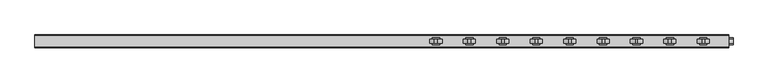
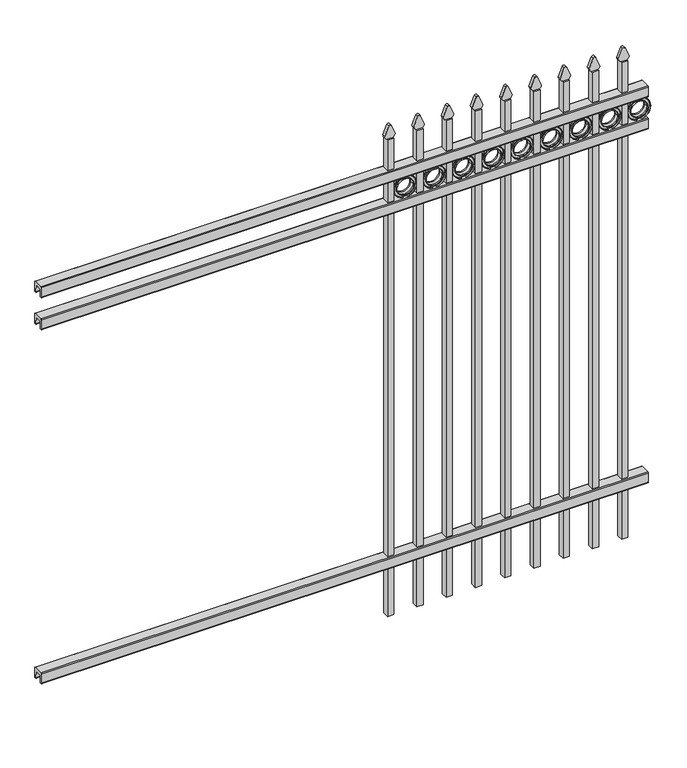
"""IFC4 building model written with IfcOpenShell, lengths in millimetres: railing geometry."""

from ifc_helpers import new_model, si_unit, point, frame, frame_2d, origin, place, context, project, spatial, polyline, circle_curve, trimmed, segment, composite_curve, outline, extrude, source, transform, mapped, element, save


def railing_b50a92b0(model_context):
    return source(origin(), model_context, "Body", "SweptSolid", [
        extrude(outline(composite_curve([segment(polyline([(8825.9139761, 304.8), (8863.969541, 304.8)]), True, "CONTINUOUS"), segment(trimmed(circle_curve(frame_2d((8863.969541, 301.625)), 3.175), [point((8863.969541, 304.8))], [point((8867.144541, 301.625))], False, "CARTESIAN"), True, "CONTINUOUS"), segment(polyline([(8867.144541, 301.625), (8867.144541, 262.1439893)]), True, "CONTINUOUS"), segment(trimmed(circle_curve(frame_2d((8865.3505518, 262.1439893)), 1.7939893), [point((8867.144541, 262.1439893))], [point((8865.3505518, 260.35))], False, "CARTESIAN"), True, "CONTINUOUS"), segment(polyline([(8865.3505518, 260.35), (8862.7590713, 260.35)]), True, "CONTINUOUS"), segment(trimmed(circle_curve(frame_2d((8862.7590713, 262.1359375)), 1.7859375), [point((8862.7590713, 260.35))], [point((8860.9755813, 262.0424688))], False, "CARTESIAN"), True, "CONTINUOUS"), segment(polyline([(8860.9755813, 262.0424688), (8859.4025867, 292.0569942), (8830.4364954, 292.0569942), (8828.8635007, 262.0424688)]), True, "CONTINUOUS"), segment(trimmed(circle_curve(frame_2d((8827.0800108, 262.1359375)), 1.7859375), [point((8828.8635007, 262.0424688))], [point((8827.0800108, 260.35))], False, "CARTESIAN"), True, "CONTINUOUS"), segment(polyline([(8827.0800108, 260.35), (8824.4804785, 260.35)]), True, "CONTINUOUS"), segment(trimmed(circle_curve(frame_2d((8824.4804785, 262.1359375)), 1.7859375), [point((8824.4804785, 260.35))], [point((8822.694541, 262.1359375))], False, "CARTESIAN"), True, "CONTINUOUS"), segment(polyline([(8822.694541, 262.1359375), (8822.694541, 301.5805649)]), True, "CONTINUOUS"), segment(trimmed(circle_curve(frame_2d((8825.9139761, 301.5805649)), 3.2194351), [point((8822.694541, 301.5805649))], [point((8825.9139761, 304.8))], False, "CARTESIAN"), True, "CONTINUOUS")], self_intersect=False)), frame((-23871.4649936, 0.0, 0.0), z_axis=(1.0, 0.0, 0.0), x_axis=(0.0, 1.0, 0.0)), (0.0, 0.0, 1.0), 2438.4),
        extrude(outline(composite_curve([segment(polyline([(8825.9139761, 1808.1625), (8863.969541, 1808.1625)]), True, "CONTINUOUS"), segment(trimmed(circle_curve(frame_2d((8863.969541, 1804.9875)), 3.175), [point((8863.969541, 1808.1625))], [point((8867.144541, 1804.9875))], False, "CARTESIAN"), True, "CONTINUOUS"), segment(polyline([(8867.144541, 1804.9875), (8867.144541, 1765.5064893)]), True, "CONTINUOUS"), segment(trimmed(circle_curve(frame_2d((8865.3505518, 1765.5064893)), 1.7939893), [point((8867.144541, 1765.5064893))], [point((8865.3505518, 1763.7125))], False, "CARTESIAN"), True, "CONTINUOUS"), segment(polyline([(8865.3505518, 1763.7125), (8862.7590713, 1763.7125)]), True, "CONTINUOUS"), segment(trimmed(circle_curve(frame_2d((8862.7590713, 1765.4984375)), 1.7859375), [point((8862.7590713, 1763.7125))], [point((8860.9755813, 1765.4049688))], False, "CARTESIAN"), True, "CONTINUOUS"), segment(polyline([(8860.9755813, 1765.4049688), (8859.4025867, 1795.4194942), (8830.4364954, 1795.4194942), (8828.8635007, 1765.4049688)]), True, "CONTINUOUS"), segment(trimmed(circle_curve(frame_2d((8827.0800108, 1765.4984375)), 1.7859375), [point((8828.8635007, 1765.4049688))], [point((8827.0800108, 1763.7125))], False, "CARTESIAN"), True, "CONTINUOUS"), segment(polyline([(8827.0800108, 1763.7125), (8824.4804785, 1763.7125)]), True, "CONTINUOUS"), segment(trimmed(circle_curve(frame_2d((8824.4804785, 1765.4984375)), 1.7859375), [point((8824.4804785, 1763.7125))], [point((8822.694541, 1765.4984375))], False, "CARTESIAN"), True, "CONTINUOUS"), segment(polyline([(8822.694541, 1765.4984375), (8822.694541, 1804.9430649)]), True, "CONTINUOUS"), segment(trimmed(circle_curve(frame_2d((8825.9139761, 1804.9430649)), 3.2194351), [point((8822.694541, 1804.9430649))], [point((8825.9139761, 1808.1625))], False, "CARTESIAN"), True, "CONTINUOUS")], self_intersect=False)), frame((-23871.4649936, 0.0, 0.0), z_axis=(1.0, 0.0, 0.0), x_axis=(0.0, 1.0, 0.0)), (0.0, 0.0, 1.0), 2438.4),
        extrude(outline(composite_curve([segment(polyline([(8825.9139761, 1944.6875), (8863.969541, 1944.6875)]), True, "CONTINUOUS"), segment(trimmed(circle_curve(frame_2d((8863.969541, 1941.5125)), 3.175), [point((8863.969541, 1944.6875))], [point((8867.144541, 1941.5125))], False, "CARTESIAN"), True, "CONTINUOUS"), segment(polyline([(8867.144541, 1941.5125), (8867.144541, 1902.0314893)]), True, "CONTINUOUS"), segment(trimmed(circle_curve(frame_2d((8865.3505518, 1902.0314893)), 1.7939893), [point((8867.144541, 1902.0314893))], [point((8865.3505518, 1900.2375))], False, "CARTESIAN"), True, "CONTINUOUS"), segment(polyline([(8865.3505518, 1900.2375), (8862.7590713, 1900.2375)]), True, "CONTINUOUS"), segment(trimmed(circle_curve(frame_2d((8862.7590713, 1902.0234375)), 1.7859375), [point((8862.7590713, 1900.2375))], [point((8860.9755813, 1901.9299688))], False, "CARTESIAN"), True, "CONTINUOUS"), segment(polyline([(8860.9755813, 1901.9299688), (8859.4025867, 1931.9444942), (8830.4364954, 1931.9444942), (8828.8635007, 1901.9299688)]), True, "CONTINUOUS"), segment(trimmed(circle_curve(frame_2d((8827.0800108, 1902.0234375)), 1.7859375), [point((8828.8635007, 1901.9299688))], [point((8827.0800108, 1900.2375))], False, "CARTESIAN"), True, "CONTINUOUS"), segment(polyline([(8827.0800108, 1900.2375), (8824.4804785, 1900.2375)]), True, "CONTINUOUS"), segment(trimmed(circle_curve(frame_2d((8824.4804785, 1902.0234375)), 1.7859375), [point((8824.4804785, 1900.2375))], [point((8822.694541, 1902.0234375))], False, "CARTESIAN"), True, "CONTINUOUS"), segment(polyline([(8822.694541, 1902.0234375), (8822.694541, 1941.4680649)]), True, "CONTINUOUS"), segment(trimmed(circle_curve(frame_2d((8825.9139761, 1941.4680649)), 3.2194351), [point((8822.694541, 1941.4680649))], [point((8825.9139761, 1944.6875))], False, "CARTESIAN"), True, "CONTINUOUS")], self_intersect=False)), frame((-23871.4649936, 0.0, 0.0), z_axis=(1.0, 0.0, 0.0), x_axis=(0.0, 1.0, 0.0)), (0.0, 0.0, 1.0), 2438.4),
        extrude(outline(composite_curve([segment(polyline([(2074.2798417, -21534.6649936), (2074.2798417, -21508.9743116)]), True, "CONTINUOUS"), segment(trimmed(circle_curve(frame_2d((2092.5299402, -21523.1372336)), 23.1009622), [point((2074.2798417, -21508.9743116))], [point((2087.0676176, -21500.6913545))], False, "CARTESIAN"), True, "CONTINUOUS"), segment(polyline([(2087.0676176, -21500.6913545), (2127.5555225, -21517.0105644)]), True, "CONTINUOUS"), segment(trimmed(circle_curve(frame_2d((2124.4045804, -21522.1405764)), 6.0204202), [point((2127.5555225, -21517.0105644))], [point((2127.5555225, -21527.2705884))], False, "CARTESIAN"), True, "CONTINUOUS"), segment(polyline([(2127.5555225, -21527.2705884), (2088.3339948, -21543.2187724)]), True, "CONTINUOUS"), segment(trimmed(circle_curve(frame_2d((2092.5299402, -21520.5020716)), 23.1009622), [point((2088.3339948, -21543.2187724))], [point((2074.2798417, -21534.6649936))], False, "CARTESIAN"), True, "CONTINUOUS")], self_intersect=False)), frame((0.0, 8838.569541, 0.0), z_axis=(0.0, 1.0, 0.0), x_axis=(0.0, 0.0, 1.0)), (0.0, 0.0, 1.0), 12.7),
        extrude(outline(composite_curve([segment(trimmed(circle_curve(frame_2d((1851.7853669, -21463.1692595)), 45.6988591), [point((1851.7853669, -21417.4704004))], [point((1851.7853669, -21508.8681186))], False, "CARTESIAN"), True, "CONTINUOUS"), segment(trimmed(circle_curve(frame_2d((1851.7853669, -21463.1692595)), 45.6988591), [point((1851.7853669, -21508.8681186))], [point((1851.7853669, -21417.4704004))], False, "CARTESIAN"), True, "CONTINUOUS")], self_intersect=False), holes=[composite_curve([segment(trimmed(circle_curve(frame_2d((1851.7853669, -21463.1692595)), 33.0443887), [point((1851.7853669, -21430.1248708))], [point((1851.7853669, -21496.2136482))], True, "CARTESIAN"), True, "CONTINUOUS"), segment(trimmed(circle_curve(frame_2d((1851.7853669, -21463.1692595)), 33.0443887), [point((1851.7853669, -21496.2136482))], [point((1851.7853669, -21430.1248708))], True, "CARTESIAN"), True, "CONTINUOUS")], self_intersect=False)]), frame((0.0, 8838.569541, 0.0), z_axis=(0.0, 1.0, 0.0), x_axis=(0.0, 0.0, 1.0)), (0.0, 0.0, 1.0), 12.7),
        extrude(outline(polyline([(-21534.6649936, 8857.619541), (-21509.2649936, 8857.619541), (-21509.2649936, 8832.219541), (-21534.6649936, 8832.219541), (-21534.6649936, 8857.619541)])), frame((0.0, 0.0, 50.8), z_axis=(0.0, 0.0, 1.0), x_axis=(1.0, 0.0, 0.0)), (0.0, 0.0, 1.0), 2023.2579232),
        extrude(outline(composite_curve([segment(trimmed(circle_curve(frame_2d((1851.7853669, -21463.1692595)), 45.6988591), [point((1851.7853669, -21417.4704004))], [point((1851.7853669, -21508.8681186))], False, "CARTESIAN"), True, "CONTINUOUS"), segment(trimmed(circle_curve(frame_2d((1851.7853669, -21463.1692595)), 45.6988591), [point((1851.7853669, -21508.8681186))], [point((1851.7853669, -21417.4704004))], False, "CARTESIAN"), True, "CONTINUOUS")], self_intersect=False), holes=[composite_curve([segment(trimmed(circle_curve(frame_2d((1851.7853669, -21463.1692595)), 44.101539), [point((1851.7853669, -21419.0677205))], [point((1851.7853669, -21507.2707985))], True, "CARTESIAN"), True, "CONTINUOUS"), segment(trimmed(circle_curve(frame_2d((1851.7853669, -21463.1692595)), 44.101539), [point((1851.7853669, -21507.2707985))], [point((1851.7853669, -21419.0677205))], True, "CARTESIAN"), True, "CONTINUOUS")], self_intersect=False)]), frame((0.0, 8832.219541, 0.0), z_axis=(0.0, 1.0, 0.0), x_axis=(0.0, 0.0, 1.0)), (0.0, 0.0, 1.0), 25.4),
        extrude(outline(composite_curve([segment(trimmed(circle_curve(frame_2d((1851.7853669, -21463.1692595)), 34.6370762), [point((1851.7853669, -21428.5321833))], [point((1851.7853669, -21497.8063357))], False, "CARTESIAN"), True, "CONTINUOUS"), segment(trimmed(circle_curve(frame_2d((1851.7853669, -21463.1692595)), 34.6370762), [point((1851.7853669, -21497.8063357))], [point((1851.7853669, -21428.5321833))], False, "CARTESIAN"), True, "CONTINUOUS")], self_intersect=False), holes=[composite_curve([segment(trimmed(circle_curve(frame_2d((1851.7853669, -21463.1692595)), 33.0443887), [point((1851.7853669, -21430.1248708))], [point((1851.7853669, -21496.2136482))], True, "CARTESIAN"), True, "CONTINUOUS"), segment(trimmed(circle_curve(frame_2d((1851.7853669, -21463.1692595)), 33.0443887), [point((1851.7853669, -21496.2136482))], [point((1851.7853669, -21430.1248708))], True, "CARTESIAN"), True, "CONTINUOUS")], self_intersect=False)]), frame((0.0, 8832.219541, 0.0), z_axis=(0.0, 1.0, 0.0), x_axis=(0.0, 0.0, 1.0)), (0.0, 0.0, 1.0), 25.4),
        extrude(outline(composite_curve([segment(polyline([(2074.2798417, -21652.1399936), (2074.2798417, -21626.4493116)]), True, "CONTINUOUS"), segment(trimmed(circle_curve(frame_2d((2092.5299402, -21640.6122336)), 23.1009622), [point((2074.2798417, -21626.4493116))], [point((2087.0676176, -21618.1663545))], False, "CARTESIAN"), True, "CONTINUOUS"), segment(polyline([(2087.0676176, -21618.1663545), (2127.5555225, -21634.4855644)]), True, "CONTINUOUS"), segment(trimmed(circle_curve(frame_2d((2124.4045804, -21639.6155764)), 6.0204202), [point((2127.5555225, -21634.4855644))], [point((2127.5555225, -21644.7455884))], False, "CARTESIAN"), True, "CONTINUOUS"), segment(polyline([(2127.5555225, -21644.7455884), (2088.3339948, -21660.6937724)]), True, "CONTINUOUS"), segment(trimmed(circle_curve(frame_2d((2092.5299402, -21637.9770716)), 23.1009622), [point((2088.3339948, -21660.6937724))], [point((2074.2798417, -21652.1399936))], False, "CARTESIAN"), True, "CONTINUOUS")], self_intersect=False)), frame((0.0, 8838.569541, 0.0), z_axis=(0.0, 1.0, 0.0), x_axis=(0.0, 0.0, 1.0)), (0.0, 0.0, 1.0), 12.7),
        extrude(outline(composite_curve([segment(trimmed(circle_curve(frame_2d((1851.7853669, -21580.6442595)), 45.6988591), [point((1851.7853669, -21534.9454004))], [point((1851.7853669, -21626.3431186))], False, "CARTESIAN"), True, "CONTINUOUS"), segment(trimmed(circle_curve(frame_2d((1851.7853669, -21580.6442595)), 45.6988591), [point((1851.7853669, -21626.3431186))], [point((1851.7853669, -21534.9454004))], False, "CARTESIAN"), True, "CONTINUOUS")], self_intersect=False), holes=[composite_curve([segment(trimmed(circle_curve(frame_2d((1851.7853669, -21580.6442595)), 33.0443887), [point((1851.7853669, -21547.5998708))], [point((1851.7853669, -21613.6886482))], True, "CARTESIAN"), True, "CONTINUOUS"), segment(trimmed(circle_curve(frame_2d((1851.7853669, -21580.6442595)), 33.0443887), [point((1851.7853669, -21613.6886482))], [point((1851.7853669, -21547.5998708))], True, "CARTESIAN"), True, "CONTINUOUS")], self_intersect=False)]), frame((0.0, 8838.569541, 0.0), z_axis=(0.0, 1.0, 0.0), x_axis=(0.0, 0.0, 1.0)), (0.0, 0.0, 1.0), 12.7),
        extrude(outline(polyline([(-21652.1399936, 8857.619541), (-21626.7399936, 8857.619541), (-21626.7399936, 8832.219541), (-21652.1399936, 8832.219541), (-21652.1399936, 8857.619541)])), frame((0.0, 0.0, 50.8), z_axis=(0.0, 0.0, 1.0), x_axis=(1.0, 0.0, 0.0)), (0.0, 0.0, 1.0), 2023.2579232),
        extrude(outline(composite_curve([segment(trimmed(circle_curve(frame_2d((1851.7853669, -21580.6442595)), 45.6988591), [point((1851.7853669, -21534.9454004))], [point((1851.7853669, -21626.3431186))], False, "CARTESIAN"), True, "CONTINUOUS"), segment(trimmed(circle_curve(frame_2d((1851.7853669, -21580.6442595)), 45.6988591), [point((1851.7853669, -21626.3431186))], [point((1851.7853669, -21534.9454004))], False, "CARTESIAN"), True, "CONTINUOUS")], self_intersect=False), holes=[composite_curve([segment(trimmed(circle_curve(frame_2d((1851.7853669, -21580.6442595)), 44.101539), [point((1851.7853669, -21536.5427205))], [point((1851.7853669, -21624.7457985))], True, "CARTESIAN"), True, "CONTINUOUS"), segment(trimmed(circle_curve(frame_2d((1851.7853669, -21580.6442595)), 44.101539), [point((1851.7853669, -21624.7457985))], [point((1851.7853669, -21536.5427205))], True, "CARTESIAN"), True, "CONTINUOUS")], self_intersect=False)]), frame((0.0, 8832.219541, 0.0), z_axis=(0.0, 1.0, 0.0), x_axis=(0.0, 0.0, 1.0)), (0.0, 0.0, 1.0), 25.4),
        extrude(outline(composite_curve([segment(trimmed(circle_curve(frame_2d((1851.7853669, -21580.6442595)), 34.6370762), [point((1851.7853669, -21546.0071833))], [point((1851.7853669, -21615.2813357))], False, "CARTESIAN"), True, "CONTINUOUS"), segment(trimmed(circle_curve(frame_2d((1851.7853669, -21580.6442595)), 34.6370762), [point((1851.7853669, -21615.2813357))], [point((1851.7853669, -21546.0071833))], False, "CARTESIAN"), True, "CONTINUOUS")], self_intersect=False), holes=[composite_curve([segment(trimmed(circle_curve(frame_2d((1851.7853669, -21580.6442595)), 33.0443887), [point((1851.7853669, -21547.5998708))], [point((1851.7853669, -21613.6886482))], True, "CARTESIAN"), True, "CONTINUOUS"), segment(trimmed(circle_curve(frame_2d((1851.7853669, -21580.6442595)), 33.0443887), [point((1851.7853669, -21613.6886482))], [point((1851.7853669, -21547.5998708))], True, "CARTESIAN"), True, "CONTINUOUS")], self_intersect=False)]), frame((0.0, 8832.219541, 0.0), z_axis=(0.0, 1.0, 0.0), x_axis=(0.0, 0.0, 1.0)), (0.0, 0.0, 1.0), 25.4),
        extrude(outline(composite_curve([segment(polyline([(2074.2798417, -21769.6149936), (2074.2798417, -21743.9243116)]), True, "CONTINUOUS"), segment(trimmed(circle_curve(frame_2d((2092.5299402, -21758.0872336)), 23.1009622), [point((2074.2798417, -21743.9243116))], [point((2087.0676176, -21735.6413545))], False, "CARTESIAN"), True, "CONTINUOUS"), segment(polyline([(2087.0676176, -21735.6413545), (2127.5555225, -21751.9605644)]), True, "CONTINUOUS"), segment(trimmed(circle_curve(frame_2d((2124.4045804, -21757.0905764)), 6.0204202), [point((2127.5555225, -21751.9605644))], [point((2127.5555225, -21762.2205884))], False, "CARTESIAN"), True, "CONTINUOUS"), segment(polyline([(2127.5555225, -21762.2205884), (2088.3339948, -21778.1687724)]), True, "CONTINUOUS"), segment(trimmed(circle_curve(frame_2d((2092.5299402, -21755.4520716)), 23.1009622), [point((2088.3339948, -21778.1687724))], [point((2074.2798417, -21769.6149936))], False, "CARTESIAN"), True, "CONTINUOUS")], self_intersect=False)), frame((0.0, 8838.569541, 0.0), z_axis=(0.0, 1.0, 0.0), x_axis=(0.0, 0.0, 1.0)), (0.0, 0.0, 1.0), 12.7),
        extrude(outline(composite_curve([segment(trimmed(circle_curve(frame_2d((1851.7853669, -21698.1192595)), 45.6988591), [point((1851.7853669, -21652.4204004))], [point((1851.7853669, -21743.8181186))], False, "CARTESIAN"), True, "CONTINUOUS"), segment(trimmed(circle_curve(frame_2d((1851.7853669, -21698.1192595)), 45.6988591), [point((1851.7853669, -21743.8181186))], [point((1851.7853669, -21652.4204004))], False, "CARTESIAN"), True, "CONTINUOUS")], self_intersect=False), holes=[composite_curve([segment(trimmed(circle_curve(frame_2d((1851.7853669, -21698.1192595)), 33.0443887), [point((1851.7853669, -21665.0748708))], [point((1851.7853669, -21731.1636482))], True, "CARTESIAN"), True, "CONTINUOUS"), segment(trimmed(circle_curve(frame_2d((1851.7853669, -21698.1192595)), 33.0443887), [point((1851.7853669, -21731.1636482))], [point((1851.7853669, -21665.0748708))], True, "CARTESIAN"), True, "CONTINUOUS")], self_intersect=False)]), frame((0.0, 8838.569541, 0.0), z_axis=(0.0, 1.0, 0.0), x_axis=(0.0, 0.0, 1.0)), (0.0, 0.0, 1.0), 12.7),
        extrude(outline(polyline([(-21769.6149936, 8857.619541), (-21744.2149936, 8857.619541), (-21744.2149936, 8832.219541), (-21769.6149936, 8832.219541), (-21769.6149936, 8857.619541)])), frame((0.0, 0.0, 50.8), z_axis=(0.0, 0.0, 1.0), x_axis=(1.0, 0.0, 0.0)), (0.0, 0.0, 1.0), 2023.2579232),
        extrude(outline(composite_curve([segment(trimmed(circle_curve(frame_2d((1851.7853669, -21698.1192595)), 45.6988591), [point((1851.7853669, -21652.4204004))], [point((1851.7853669, -21743.8181186))], False, "CARTESIAN"), True, "CONTINUOUS"), segment(trimmed(circle_curve(frame_2d((1851.7853669, -21698.1192595)), 45.6988591), [point((1851.7853669, -21743.8181186))], [point((1851.7853669, -21652.4204004))], False, "CARTESIAN"), True, "CONTINUOUS")], self_intersect=False), holes=[composite_curve([segment(trimmed(circle_curve(frame_2d((1851.7853669, -21698.1192595)), 44.101539), [point((1851.7853669, -21654.0177205))], [point((1851.7853669, -21742.2207985))], True, "CARTESIAN"), True, "CONTINUOUS"), segment(trimmed(circle_curve(frame_2d((1851.7853669, -21698.1192595)), 44.101539), [point((1851.7853669, -21742.2207985))], [point((1851.7853669, -21654.0177205))], True, "CARTESIAN"), True, "CONTINUOUS")], self_intersect=False)]), frame((0.0, 8832.219541, 0.0), z_axis=(0.0, 1.0, 0.0), x_axis=(0.0, 0.0, 1.0)), (0.0, 0.0, 1.0), 25.4),
        extrude(outline(composite_curve([segment(trimmed(circle_curve(frame_2d((1851.7853669, -21698.1192595)), 34.6370762), [point((1851.7853669, -21663.4821833))], [point((1851.7853669, -21732.7563357))], False, "CARTESIAN"), True, "CONTINUOUS"), segment(trimmed(circle_curve(frame_2d((1851.7853669, -21698.1192595)), 34.6370762), [point((1851.7853669, -21732.7563357))], [point((1851.7853669, -21663.4821833))], False, "CARTESIAN"), True, "CONTINUOUS")], self_intersect=False), holes=[composite_curve([segment(trimmed(circle_curve(frame_2d((1851.7853669, -21698.1192595)), 33.0443887), [point((1851.7853669, -21665.0748708))], [point((1851.7853669, -21731.1636482))], True, "CARTESIAN"), True, "CONTINUOUS"), segment(trimmed(circle_curve(frame_2d((1851.7853669, -21698.1192595)), 33.0443887), [point((1851.7853669, -21731.1636482))], [point((1851.7853669, -21665.0748708))], True, "CARTESIAN"), True, "CONTINUOUS")], self_intersect=False)]), frame((0.0, 8832.219541, 0.0), z_axis=(0.0, 1.0, 0.0), x_axis=(0.0, 0.0, 1.0)), (0.0, 0.0, 1.0), 25.4),
        extrude(outline(composite_curve([segment(polyline([(2074.2798417, -21887.0899936), (2074.2798417, -21861.3993116)]), True, "CONTINUOUS"), segment(trimmed(circle_curve(frame_2d((2092.5299402, -21875.5622336)), 23.1009622), [point((2074.2798417, -21861.3993116))], [point((2087.0676176, -21853.1163545))], False, "CARTESIAN"), True, "CONTINUOUS"), segment(polyline([(2087.0676176, -21853.1163545), (2127.5555225, -21869.4355644)]), True, "CONTINUOUS"), segment(trimmed(circle_curve(frame_2d((2124.4045804, -21874.5655764)), 6.0204202), [point((2127.5555225, -21869.4355644))], [point((2127.5555225, -21879.6955884))], False, "CARTESIAN"), True, "CONTINUOUS"), segment(polyline([(2127.5555225, -21879.6955884), (2088.3339948, -21895.6437724)]), True, "CONTINUOUS"), segment(trimmed(circle_curve(frame_2d((2092.5299402, -21872.9270716)), 23.1009622), [point((2088.3339948, -21895.6437724))], [point((2074.2798417, -21887.0899936))], False, "CARTESIAN"), True, "CONTINUOUS")], self_intersect=False)), frame((0.0, 8838.569541, 0.0), z_axis=(0.0, 1.0, 0.0), x_axis=(0.0, 0.0, 1.0)), (0.0, 0.0, 1.0), 12.7),
        extrude(outline(composite_curve([segment(trimmed(circle_curve(frame_2d((1851.7853669, -21815.5942595)), 45.6988591), [point((1851.7853669, -21769.8954004))], [point((1851.7853669, -21861.2931186))], False, "CARTESIAN"), True, "CONTINUOUS"), segment(trimmed(circle_curve(frame_2d((1851.7853669, -21815.5942595)), 45.6988591), [point((1851.7853669, -21861.2931186))], [point((1851.7853669, -21769.8954004))], False, "CARTESIAN"), True, "CONTINUOUS")], self_intersect=False), holes=[composite_curve([segment(trimmed(circle_curve(frame_2d((1851.7853669, -21815.5942595)), 33.0443887), [point((1851.7853669, -21782.5498708))], [point((1851.7853669, -21848.6386482))], True, "CARTESIAN"), True, "CONTINUOUS"), segment(trimmed(circle_curve(frame_2d((1851.7853669, -21815.5942595)), 33.0443887), [point((1851.7853669, -21848.6386482))], [point((1851.7853669, -21782.5498708))], True, "CARTESIAN"), True, "CONTINUOUS")], self_intersect=False)]), frame((0.0, 8838.569541, 0.0), z_axis=(0.0, 1.0, 0.0), x_axis=(0.0, 0.0, 1.0)), (0.0, 0.0, 1.0), 12.7),
        extrude(outline(polyline([(-21887.0899936, 8857.619541), (-21861.6899936, 8857.619541), (-21861.6899936, 8832.219541), (-21887.0899936, 8832.219541), (-21887.0899936, 8857.619541)])), frame((0.0, 0.0, 50.8), z_axis=(0.0, 0.0, 1.0), x_axis=(1.0, 0.0, 0.0)), (0.0, 0.0, 1.0), 2023.2579232),
        extrude(outline(composite_curve([segment(trimmed(circle_curve(frame_2d((1851.7853669, -21815.5942595)), 45.6988591), [point((1851.7853669, -21769.8954004))], [point((1851.7853669, -21861.2931186))], False, "CARTESIAN"), True, "CONTINUOUS"), segment(trimmed(circle_curve(frame_2d((1851.7853669, -21815.5942595)), 45.6988591), [point((1851.7853669, -21861.2931186))], [point((1851.7853669, -21769.8954004))], False, "CARTESIAN"), True, "CONTINUOUS")], self_intersect=False), holes=[composite_curve([segment(trimmed(circle_curve(frame_2d((1851.7853669, -21815.5942595)), 44.101539), [point((1851.7853669, -21771.4927205))], [point((1851.7853669, -21859.6957985))], True, "CARTESIAN"), True, "CONTINUOUS"), segment(trimmed(circle_curve(frame_2d((1851.7853669, -21815.5942595)), 44.101539), [point((1851.7853669, -21859.6957985))], [point((1851.7853669, -21771.4927205))], True, "CARTESIAN"), True, "CONTINUOUS")], self_intersect=False)]), frame((0.0, 8832.219541, 0.0), z_axis=(0.0, 1.0, 0.0), x_axis=(0.0, 0.0, 1.0)), (0.0, 0.0, 1.0), 25.4),
        extrude(outline(composite_curve([segment(trimmed(circle_curve(frame_2d((1851.7853669, -21815.5942595)), 34.6370762), [point((1851.7853669, -21780.9571833))], [point((1851.7853669, -21850.2313357))], False, "CARTESIAN"), True, "CONTINUOUS"), segment(trimmed(circle_curve(frame_2d((1851.7853669, -21815.5942595)), 34.6370762), [point((1851.7853669, -21850.2313357))], [point((1851.7853669, -21780.9571833))], False, "CARTESIAN"), True, "CONTINUOUS")], self_intersect=False), holes=[composite_curve([segment(trimmed(circle_curve(frame_2d((1851.7853669, -21815.5942595)), 33.0443887), [point((1851.7853669, -21782.5498708))], [point((1851.7853669, -21848.6386482))], True, "CARTESIAN"), True, "CONTINUOUS"), segment(trimmed(circle_curve(frame_2d((1851.7853669, -21815.5942595)), 33.0443887), [point((1851.7853669, -21848.6386482))], [point((1851.7853669, -21782.5498708))], True, "CARTESIAN"), True, "CONTINUOUS")], self_intersect=False)]), frame((0.0, 8832.219541, 0.0), z_axis=(0.0, 1.0, 0.0), x_axis=(0.0, 0.0, 1.0)), (0.0, 0.0, 1.0), 25.4),
        extrude(outline(composite_curve([segment(polyline([(2074.2798417, -22004.5649936), (2074.2798417, -21978.8743116)]), True, "CONTINUOUS"), segment(trimmed(circle_curve(frame_2d((2092.5299402, -21993.0372336)), 23.1009622), [point((2074.2798417, -21978.8743116))], [point((2087.0676176, -21970.5913545))], False, "CARTESIAN"), True, "CONTINUOUS"), segment(polyline([(2087.0676176, -21970.5913545), (2127.5555225, -21986.9105644)]), True, "CONTINUOUS"), segment(trimmed(circle_curve(frame_2d((2124.4045804, -21992.0405764)), 6.0204202), [point((2127.5555225, -21986.9105644))], [point((2127.5555225, -21997.1705884))], False, "CARTESIAN"), True, "CONTINUOUS"), segment(polyline([(2127.5555225, -21997.1705884), (2088.3339948, -22013.1187724)]), True, "CONTINUOUS"), segment(trimmed(circle_curve(frame_2d((2092.5299402, -21990.4020716)), 23.1009622), [point((2088.3339948, -22013.1187724))], [point((2074.2798417, -22004.5649936))], False, "CARTESIAN"), True, "CONTINUOUS")], self_intersect=False)), frame((0.0, 8838.569541, 0.0), z_axis=(0.0, 1.0, 0.0), x_axis=(0.0, 0.0, 1.0)), (0.0, 0.0, 1.0), 12.7),
        extrude(outline(composite_curve([segment(trimmed(circle_curve(frame_2d((1851.7853669, -21933.0692595)), 45.6988591), [point((1851.7853669, -21887.3704004))], [point((1851.7853669, -21978.7681186))], False, "CARTESIAN"), True, "CONTINUOUS"), segment(trimmed(circle_curve(frame_2d((1851.7853669, -21933.0692595)), 45.6988591), [point((1851.7853669, -21978.7681186))], [point((1851.7853669, -21887.3704004))], False, "CARTESIAN"), True, "CONTINUOUS")], self_intersect=False), holes=[composite_curve([segment(trimmed(circle_curve(frame_2d((1851.7853669, -21933.0692595)), 33.0443887), [point((1851.7853669, -21900.0248708))], [point((1851.7853669, -21966.1136482))], True, "CARTESIAN"), True, "CONTINUOUS"), segment(trimmed(circle_curve(frame_2d((1851.7853669, -21933.0692595)), 33.0443887), [point((1851.7853669, -21966.1136482))], [point((1851.7853669, -21900.0248708))], True, "CARTESIAN"), True, "CONTINUOUS")], self_intersect=False)]), frame((0.0, 8838.569541, 0.0), z_axis=(0.0, 1.0, 0.0), x_axis=(0.0, 0.0, 1.0)), (0.0, 0.0, 1.0), 12.7),
        extrude(outline(polyline([(-22004.5649936, 8857.619541), (-21979.1649936, 8857.619541), (-21979.1649936, 8832.219541), (-22004.5649936, 8832.219541), (-22004.5649936, 8857.619541)])), frame((0.0, 0.0, 50.8), z_axis=(0.0, 0.0, 1.0), x_axis=(1.0, 0.0, 0.0)), (0.0, 0.0, 1.0), 2023.2579232),
        extrude(outline(composite_curve([segment(trimmed(circle_curve(frame_2d((1851.7853669, -21933.0692595)), 45.6988591), [point((1851.7853669, -21887.3704004))], [point((1851.7853669, -21978.7681186))], False, "CARTESIAN"), True, "CONTINUOUS"), segment(trimmed(circle_curve(frame_2d((1851.7853669, -21933.0692595)), 45.6988591), [point((1851.7853669, -21978.7681186))], [point((1851.7853669, -21887.3704004))], False, "CARTESIAN"), True, "CONTINUOUS")], self_intersect=False), holes=[composite_curve([segment(trimmed(circle_curve(frame_2d((1851.7853669, -21933.0692595)), 44.101539), [point((1851.7853669, -21888.9677205))], [point((1851.7853669, -21977.1707985))], True, "CARTESIAN"), True, "CONTINUOUS"), segment(trimmed(circle_curve(frame_2d((1851.7853669, -21933.0692595)), 44.101539), [point((1851.7853669, -21977.1707985))], [point((1851.7853669, -21888.9677205))], True, "CARTESIAN"), True, "CONTINUOUS")], self_intersect=False)]), frame((0.0, 8832.219541, 0.0), z_axis=(0.0, 1.0, 0.0), x_axis=(0.0, 0.0, 1.0)), (0.0, 0.0, 1.0), 25.4),
        extrude(outline(composite_curve([segment(trimmed(circle_curve(frame_2d((1851.7853669, -21933.0692595)), 34.6370762), [point((1851.7853669, -21898.4321833))], [point((1851.7853669, -21967.7063357))], False, "CARTESIAN"), True, "CONTINUOUS"), segment(trimmed(circle_curve(frame_2d((1851.7853669, -21933.0692595)), 34.6370762), [point((1851.7853669, -21967.7063357))], [point((1851.7853669, -21898.4321833))], False, "CARTESIAN"), True, "CONTINUOUS")], self_intersect=False), holes=[composite_curve([segment(trimmed(circle_curve(frame_2d((1851.7853669, -21933.0692595)), 33.0443887), [point((1851.7853669, -21900.0248708))], [point((1851.7853669, -21966.1136482))], True, "CARTESIAN"), True, "CONTINUOUS"), segment(trimmed(circle_curve(frame_2d((1851.7853669, -21933.0692595)), 33.0443887), [point((1851.7853669, -21966.1136482))], [point((1851.7853669, -21900.0248708))], True, "CARTESIAN"), True, "CONTINUOUS")], self_intersect=False)]), frame((0.0, 8832.219541, 0.0), z_axis=(0.0, 1.0, 0.0), x_axis=(0.0, 0.0, 1.0)), (0.0, 0.0, 1.0), 25.4),
        extrude(outline(composite_curve([segment(polyline([(2074.2798417, -22122.0399936), (2074.2798417, -22096.3493116)]), True, "CONTINUOUS"), segment(trimmed(circle_curve(frame_2d((2092.5299402, -22110.5122336)), 23.1009622), [point((2074.2798417, -22096.3493116))], [point((2087.0676176, -22088.0663545))], False, "CARTESIAN"), True, "CONTINUOUS"), segment(polyline([(2087.0676176, -22088.0663545), (2127.5555225, -22104.3855644)]), True, "CONTINUOUS"), segment(trimmed(circle_curve(frame_2d((2124.4045804, -22109.5155764)), 6.0204202), [point((2127.5555225, -22104.3855644))], [point((2127.5555225, -22114.6455884))], False, "CARTESIAN"), True, "CONTINUOUS"), segment(polyline([(2127.5555225, -22114.6455884), (2088.3339948, -22130.5937724)]), True, "CONTINUOUS"), segment(trimmed(circle_curve(frame_2d((2092.5299402, -22107.8770716)), 23.1009622), [point((2088.3339948, -22130.5937724))], [point((2074.2798417, -22122.0399936))], False, "CARTESIAN"), True, "CONTINUOUS")], self_intersect=False)), frame((0.0, 8838.569541, 0.0), z_axis=(0.0, 1.0, 0.0), x_axis=(0.0, 0.0, 1.0)), (0.0, 0.0, 1.0), 12.7),
        extrude(outline(composite_curve([segment(trimmed(circle_curve(frame_2d((1851.7853669, -22050.5442595)), 45.6988591), [point((1851.7853669, -22004.8454004))], [point((1851.7853669, -22096.2431186))], False, "CARTESIAN"), True, "CONTINUOUS"), segment(trimmed(circle_curve(frame_2d((1851.7853669, -22050.5442595)), 45.6988591), [point((1851.7853669, -22096.2431186))], [point((1851.7853669, -22004.8454004))], False, "CARTESIAN"), True, "CONTINUOUS")], self_intersect=False), holes=[composite_curve([segment(trimmed(circle_curve(frame_2d((1851.7853669, -22050.5442595)), 33.0443887), [point((1851.7853669, -22017.4998708))], [point((1851.7853669, -22083.5886482))], True, "CARTESIAN"), True, "CONTINUOUS"), segment(trimmed(circle_curve(frame_2d((1851.7853669, -22050.5442595)), 33.0443887), [point((1851.7853669, -22083.5886482))], [point((1851.7853669, -22017.4998708))], True, "CARTESIAN"), True, "CONTINUOUS")], self_intersect=False)]), frame((0.0, 8838.569541, 0.0), z_axis=(0.0, 1.0, 0.0), x_axis=(0.0, 0.0, 1.0)), (0.0, 0.0, 1.0), 12.7),
        extrude(outline(polyline([(-22122.0399936, 8857.619541), (-22096.6399936, 8857.619541), (-22096.6399936, 8832.219541), (-22122.0399936, 8832.219541), (-22122.0399936, 8857.619541)])), frame((0.0, 0.0, 50.8), z_axis=(0.0, 0.0, 1.0), x_axis=(1.0, 0.0, 0.0)), (0.0, 0.0, 1.0), 2023.2579232),
        extrude(outline(composite_curve([segment(trimmed(circle_curve(frame_2d((1851.7853669, -22050.5442595)), 45.6988591), [point((1851.7853669, -22004.8454004))], [point((1851.7853669, -22096.2431186))], False, "CARTESIAN"), True, "CONTINUOUS"), segment(trimmed(circle_curve(frame_2d((1851.7853669, -22050.5442595)), 45.6988591), [point((1851.7853669, -22096.2431186))], [point((1851.7853669, -22004.8454004))], False, "CARTESIAN"), True, "CONTINUOUS")], self_intersect=False), holes=[composite_curve([segment(trimmed(circle_curve(frame_2d((1851.7853669, -22050.5442595)), 44.101539), [point((1851.7853669, -22006.4427205))], [point((1851.7853669, -22094.6457985))], True, "CARTESIAN"), True, "CONTINUOUS"), segment(trimmed(circle_curve(frame_2d((1851.7853669, -22050.5442595)), 44.101539), [point((1851.7853669, -22094.6457985))], [point((1851.7853669, -22006.4427205))], True, "CARTESIAN"), True, "CONTINUOUS")], self_intersect=False)]), frame((0.0, 8832.219541, 0.0), z_axis=(0.0, 1.0, 0.0), x_axis=(0.0, 0.0, 1.0)), (0.0, 0.0, 1.0), 25.4),
        extrude(outline(composite_curve([segment(trimmed(circle_curve(frame_2d((1851.7853669, -22050.5442595)), 34.6370762), [point((1851.7853669, -22015.9071833))], [point((1851.7853669, -22085.1813357))], False, "CARTESIAN"), True, "CONTINUOUS"), segment(trimmed(circle_curve(frame_2d((1851.7853669, -22050.5442595)), 34.6370762), [point((1851.7853669, -22085.1813357))], [point((1851.7853669, -22015.9071833))], False, "CARTESIAN"), True, "CONTINUOUS")], self_intersect=False), holes=[composite_curve([segment(trimmed(circle_curve(frame_2d((1851.7853669, -22050.5442595)), 33.0443887), [point((1851.7853669, -22017.4998708))], [point((1851.7853669, -22083.5886482))], True, "CARTESIAN"), True, "CONTINUOUS"), segment(trimmed(circle_curve(frame_2d((1851.7853669, -22050.5442595)), 33.0443887), [point((1851.7853669, -22083.5886482))], [point((1851.7853669, -22017.4998708))], True, "CARTESIAN"), True, "CONTINUOUS")], self_intersect=False)]), frame((0.0, 8832.219541, 0.0), z_axis=(0.0, 1.0, 0.0), x_axis=(0.0, 0.0, 1.0)), (0.0, 0.0, 1.0), 25.4),
        extrude(outline(composite_curve([segment(polyline([(2074.2798417, -22239.5149936), (2074.2798417, -22213.8243116)]), True, "CONTINUOUS"), segment(trimmed(circle_curve(frame_2d((2092.5299402, -22227.9872336)), 23.1009622), [point((2074.2798417, -22213.8243116))], [point((2087.0676176, -22205.5413545))], False, "CARTESIAN"), True, "CONTINUOUS"), segment(polyline([(2087.0676176, -22205.5413545), (2127.5555225, -22221.8605644)]), True, "CONTINUOUS"), segment(trimmed(circle_curve(frame_2d((2124.4045804, -22226.9905764)), 6.0204202), [point((2127.5555225, -22221.8605644))], [point((2127.5555225, -22232.1205884))], False, "CARTESIAN"), True, "CONTINUOUS"), segment(polyline([(2127.5555225, -22232.1205884), (2088.3339948, -22248.0687724)]), True, "CONTINUOUS"), segment(trimmed(circle_curve(frame_2d((2092.5299402, -22225.3520716)), 23.1009622), [point((2088.3339948, -22248.0687724))], [point((2074.2798417, -22239.5149936))], False, "CARTESIAN"), True, "CONTINUOUS")], self_intersect=False)), frame((0.0, 8838.569541, 0.0), z_axis=(0.0, 1.0, 0.0), x_axis=(0.0, 0.0, 1.0)), (0.0, 0.0, 1.0), 12.7),
        extrude(outline(composite_curve([segment(trimmed(circle_curve(frame_2d((1851.7853669, -22168.0192595)), 45.6988591), [point((1851.7853669, -22122.3204004))], [point((1851.7853669, -22213.7181186))], False, "CARTESIAN"), True, "CONTINUOUS"), segment(trimmed(circle_curve(frame_2d((1851.7853669, -22168.0192595)), 45.6988591), [point((1851.7853669, -22213.7181186))], [point((1851.7853669, -22122.3204004))], False, "CARTESIAN"), True, "CONTINUOUS")], self_intersect=False), holes=[composite_curve([segment(trimmed(circle_curve(frame_2d((1851.7853669, -22168.0192595)), 33.0443887), [point((1851.7853669, -22134.9748708))], [point((1851.7853669, -22201.0636482))], True, "CARTESIAN"), True, "CONTINUOUS"), segment(trimmed(circle_curve(frame_2d((1851.7853669, -22168.0192595)), 33.0443887), [point((1851.7853669, -22201.0636482))], [point((1851.7853669, -22134.9748708))], True, "CARTESIAN"), True, "CONTINUOUS")], self_intersect=False)]), frame((0.0, 8838.569541, 0.0), z_axis=(0.0, 1.0, 0.0), x_axis=(0.0, 0.0, 1.0)), (0.0, 0.0, 1.0), 12.7),
        extrude(outline(polyline([(-22239.5149936, 8857.619541), (-22214.1149936, 8857.619541), (-22214.1149936, 8832.219541), (-22239.5149936, 8832.219541), (-22239.5149936, 8857.619541)])), frame((0.0, 0.0, 50.8), z_axis=(0.0, 0.0, 1.0), x_axis=(1.0, 0.0, 0.0)), (0.0, 0.0, 1.0), 2023.2579232),
        extrude(outline(composite_curve([segment(trimmed(circle_curve(frame_2d((1851.7853669, -22168.0192595)), 45.6988591), [point((1851.7853669, -22122.3204004))], [point((1851.7853669, -22213.7181186))], False, "CARTESIAN"), True, "CONTINUOUS"), segment(trimmed(circle_curve(frame_2d((1851.7853669, -22168.0192595)), 45.6988591), [point((1851.7853669, -22213.7181186))], [point((1851.7853669, -22122.3204004))], False, "CARTESIAN"), True, "CONTINUOUS")], self_intersect=False), holes=[composite_curve([segment(trimmed(circle_curve(frame_2d((1851.7853669, -22168.0192595)), 44.101539), [point((1851.7853669, -22123.9177205))], [point((1851.7853669, -22212.1207985))], True, "CARTESIAN"), True, "CONTINUOUS"), segment(trimmed(circle_curve(frame_2d((1851.7853669, -22168.0192595)), 44.101539), [point((1851.7853669, -22212.1207985))], [point((1851.7853669, -22123.9177205))], True, "CARTESIAN"), True, "CONTINUOUS")], self_intersect=False)]), frame((0.0, 8832.219541, 0.0), z_axis=(0.0, 1.0, 0.0), x_axis=(0.0, 0.0, 1.0)), (0.0, 0.0, 1.0), 25.4),
        extrude(outline(composite_curve([segment(trimmed(circle_curve(frame_2d((1851.7853669, -22168.0192595)), 34.6370762), [point((1851.7853669, -22133.3821833))], [point((1851.7853669, -22202.6563357))], False, "CARTESIAN"), True, "CONTINUOUS"), segment(trimmed(circle_curve(frame_2d((1851.7853669, -22168.0192595)), 34.6370762), [point((1851.7853669, -22202.6563357))], [point((1851.7853669, -22133.3821833))], False, "CARTESIAN"), True, "CONTINUOUS")], self_intersect=False), holes=[composite_curve([segment(trimmed(circle_curve(frame_2d((1851.7853669, -22168.0192595)), 33.0443887), [point((1851.7853669, -22134.9748708))], [point((1851.7853669, -22201.0636482))], True, "CARTESIAN"), True, "CONTINUOUS"), segment(trimmed(circle_curve(frame_2d((1851.7853669, -22168.0192595)), 33.0443887), [point((1851.7853669, -22201.0636482))], [point((1851.7853669, -22134.9748708))], True, "CARTESIAN"), True, "CONTINUOUS")], self_intersect=False)]), frame((0.0, 8832.219541, 0.0), z_axis=(0.0, 1.0, 0.0), x_axis=(0.0, 0.0, 1.0)), (0.0, 0.0, 1.0), 25.4),
        extrude(outline(composite_curve([segment(polyline([(2074.2798417, -22356.9899936), (2074.2798417, -22331.2993116)]), True, "CONTINUOUS"), segment(trimmed(circle_curve(frame_2d((2092.5299402, -22345.4622336)), 23.1009622), [point((2074.2798417, -22331.2993116))], [point((2087.0676176, -22323.0163545))], False, "CARTESIAN"), True, "CONTINUOUS"), segment(polyline([(2087.0676176, -22323.0163545), (2127.5555225, -22339.3355644)]), True, "CONTINUOUS"), segment(trimmed(circle_curve(frame_2d((2124.4045804, -22344.4655764)), 6.0204202), [point((2127.5555225, -22339.3355644))], [point((2127.5555225, -22349.5955884))], False, "CARTESIAN"), True, "CONTINUOUS"), segment(polyline([(2127.5555225, -22349.5955884), (2088.3339948, -22365.5437724)]), True, "CONTINUOUS"), segment(trimmed(circle_curve(frame_2d((2092.5299402, -22342.8270716)), 23.1009622), [point((2088.3339948, -22365.5437724))], [point((2074.2798417, -22356.9899936))], False, "CARTESIAN"), True, "CONTINUOUS")], self_intersect=False)), frame((0.0, 8838.569541, 0.0), z_axis=(0.0, 1.0, 0.0), x_axis=(0.0, 0.0, 1.0)), (0.0, 0.0, 1.0), 12.7),
        extrude(outline(composite_curve([segment(trimmed(circle_curve(frame_2d((1851.7853669, -22285.4942595)), 45.6988591), [point((1851.7853669, -22239.7954004))], [point((1851.7853669, -22331.1931186))], False, "CARTESIAN"), True, "CONTINUOUS"), segment(trimmed(circle_curve(frame_2d((1851.7853669, -22285.4942595)), 45.6988591), [point((1851.7853669, -22331.1931186))], [point((1851.7853669, -22239.7954004))], False, "CARTESIAN"), True, "CONTINUOUS")], self_intersect=False), holes=[composite_curve([segment(trimmed(circle_curve(frame_2d((1851.7853669, -22285.4942595)), 33.0443887), [point((1851.7853669, -22252.4498708))], [point((1851.7853669, -22318.5386482))], True, "CARTESIAN"), True, "CONTINUOUS"), segment(trimmed(circle_curve(frame_2d((1851.7853669, -22285.4942595)), 33.0443887), [point((1851.7853669, -22318.5386482))], [point((1851.7853669, -22252.4498708))], True, "CARTESIAN"), True, "CONTINUOUS")], self_intersect=False)]), frame((0.0, 8838.569541, 0.0), z_axis=(0.0, 1.0, 0.0), x_axis=(0.0, 0.0, 1.0)), (0.0, 0.0, 1.0), 12.7),
        extrude(outline(polyline([(-22356.9899936, 8857.619541), (-22331.5899936, 8857.619541), (-22331.5899936, 8832.219541), (-22356.9899936, 8832.219541), (-22356.9899936, 8857.619541)])), frame((0.0, 0.0, 50.8), z_axis=(0.0, 0.0, 1.0), x_axis=(1.0, 0.0, 0.0)), (0.0, 0.0, 1.0), 2023.2579232),
        extrude(outline(composite_curve([segment(trimmed(circle_curve(frame_2d((1851.7853669, -22285.4942595)), 45.6988591), [point((1851.7853669, -22239.7954004))], [point((1851.7853669, -22331.1931186))], False, "CARTESIAN"), True, "CONTINUOUS"), segment(trimmed(circle_curve(frame_2d((1851.7853669, -22285.4942595)), 45.6988591), [point((1851.7853669, -22331.1931186))], [point((1851.7853669, -22239.7954004))], False, "CARTESIAN"), True, "CONTINUOUS")], self_intersect=False), holes=[composite_curve([segment(trimmed(circle_curve(frame_2d((1851.7853669, -22285.4942595)), 44.101539), [point((1851.7853669, -22241.3927205))], [point((1851.7853669, -22329.5957985))], True, "CARTESIAN"), True, "CONTINUOUS"), segment(trimmed(circle_curve(frame_2d((1851.7853669, -22285.4942595)), 44.101539), [point((1851.7853669, -22329.5957985))], [point((1851.7853669, -22241.3927205))], True, "CARTESIAN"), True, "CONTINUOUS")], self_intersect=False)]), frame((0.0, 8832.219541, 0.0), z_axis=(0.0, 1.0, 0.0), x_axis=(0.0, 0.0, 1.0)), (0.0, 0.0, 1.0), 25.4),
        extrude(outline(composite_curve([segment(trimmed(circle_curve(frame_2d((1851.7853669, -22285.4942595)), 34.6370762), [point((1851.7853669, -22250.8571833))], [point((1851.7853669, -22320.1313357))], False, "CARTESIAN"), True, "CONTINUOUS"), segment(trimmed(circle_curve(frame_2d((1851.7853669, -22285.4942595)), 34.6370762), [point((1851.7853669, -22320.1313357))], [point((1851.7853669, -22250.8571833))], False, "CARTESIAN"), True, "CONTINUOUS")], self_intersect=False), holes=[composite_curve([segment(trimmed(circle_curve(frame_2d((1851.7853669, -22285.4942595)), 33.0443887), [point((1851.7853669, -22252.4498708))], [point((1851.7853669, -22318.5386482))], True, "CARTESIAN"), True, "CONTINUOUS"), segment(trimmed(circle_curve(frame_2d((1851.7853669, -22285.4942595)), 33.0443887), [point((1851.7853669, -22318.5386482))], [point((1851.7853669, -22252.4498708))], True, "CARTESIAN"), True, "CONTINUOUS")], self_intersect=False)]), frame((0.0, 8832.219541, 0.0), z_axis=(0.0, 1.0, 0.0), x_axis=(0.0, 0.0, 1.0)), (0.0, 0.0, 1.0), 25.4),
        extrude(outline(composite_curve([segment(polyline([(2074.2798417, -22474.4649936), (2074.2798417, -22448.7743116)]), True, "CONTINUOUS"), segment(trimmed(circle_curve(frame_2d((2092.5299402, -22462.9372336)), 23.1009622), [point((2074.2798417, -22448.7743116))], [point((2087.0676176, -22440.4913545))], False, "CARTESIAN"), True, "CONTINUOUS"), segment(polyline([(2087.0676176, -22440.4913545), (2127.5555225, -22456.8105644)]), True, "CONTINUOUS"), segment(trimmed(circle_curve(frame_2d((2124.4045804, -22461.9405764)), 6.0204202), [point((2127.5555225, -22456.8105644))], [point((2127.5555225, -22467.0705884))], False, "CARTESIAN"), True, "CONTINUOUS"), segment(polyline([(2127.5555225, -22467.0705884), (2088.3339948, -22483.0187724)]), True, "CONTINUOUS"), segment(trimmed(circle_curve(frame_2d((2092.5299402, -22460.3020716)), 23.1009622), [point((2088.3339948, -22483.0187724))], [point((2074.2798417, -22474.4649936))], False, "CARTESIAN"), True, "CONTINUOUS")], self_intersect=False)), frame((0.0, 8838.569541, 0.0), z_axis=(0.0, 1.0, 0.0), x_axis=(0.0, 0.0, 1.0)), (0.0, 0.0, 1.0), 12.7),
        extrude(outline(composite_curve([segment(trimmed(circle_curve(frame_2d((1851.7853669, -22402.9692595)), 45.6988591), [point((1851.7853669, -22357.2704004))], [point((1851.7853669, -22448.6681186))], False, "CARTESIAN"), True, "CONTINUOUS"), segment(trimmed(circle_curve(frame_2d((1851.7853669, -22402.9692595)), 45.6988591), [point((1851.7853669, -22448.6681186))], [point((1851.7853669, -22357.2704004))], False, "CARTESIAN"), True, "CONTINUOUS")], self_intersect=False), holes=[composite_curve([segment(trimmed(circle_curve(frame_2d((1851.7853669, -22402.9692595)), 33.0443887), [point((1851.7853669, -22369.9248708))], [point((1851.7853669, -22436.0136482))], True, "CARTESIAN"), True, "CONTINUOUS"), segment(trimmed(circle_curve(frame_2d((1851.7853669, -22402.9692595)), 33.0443887), [point((1851.7853669, -22436.0136482))], [point((1851.7853669, -22369.9248708))], True, "CARTESIAN"), True, "CONTINUOUS")], self_intersect=False)]), frame((0.0, 8838.569541, 0.0), z_axis=(0.0, 1.0, 0.0), x_axis=(0.0, 0.0, 1.0)), (0.0, 0.0, 1.0), 12.7),
        extrude(outline(polyline([(-22474.4649936, 8857.619541), (-22449.0649936, 8857.619541), (-22449.0649936, 8832.219541), (-22474.4649936, 8832.219541), (-22474.4649936, 8857.619541)])), frame((0.0, 0.0, 50.8), z_axis=(0.0, 0.0, 1.0), x_axis=(1.0, 0.0, 0.0)), (0.0, 0.0, 1.0), 2023.2579232),
        extrude(outline(composite_curve([segment(trimmed(circle_curve(frame_2d((1851.7853669, -22402.9692595)), 45.6988591), [point((1851.7853669, -22357.2704004))], [point((1851.7853669, -22448.6681186))], False, "CARTESIAN"), True, "CONTINUOUS"), segment(trimmed(circle_curve(frame_2d((1851.7853669, -22402.9692595)), 45.6988591), [point((1851.7853669, -22448.6681186))], [point((1851.7853669, -22357.2704004))], False, "CARTESIAN"), True, "CONTINUOUS")], self_intersect=False), holes=[composite_curve([segment(trimmed(circle_curve(frame_2d((1851.7853669, -22402.9692595)), 44.101539), [point((1851.7853669, -22358.8677205))], [point((1851.7853669, -22447.0707985))], True, "CARTESIAN"), True, "CONTINUOUS"), segment(trimmed(circle_curve(frame_2d((1851.7853669, -22402.9692595)), 44.101539), [point((1851.7853669, -22447.0707985))], [point((1851.7853669, -22358.8677205))], True, "CARTESIAN"), True, "CONTINUOUS")], self_intersect=False)]), frame((0.0, 8832.219541, 0.0), z_axis=(0.0, 1.0, 0.0), x_axis=(0.0, 0.0, 1.0)), (0.0, 0.0, 1.0), 25.4),
        extrude(outline(composite_curve([segment(trimmed(circle_curve(frame_2d((1851.7853669, -22402.9692595)), 34.6370762), [point((1851.7853669, -22368.3321833))], [point((1851.7853669, -22437.6063357))], False, "CARTESIAN"), True, "CONTINUOUS"), segment(trimmed(circle_curve(frame_2d((1851.7853669, -22402.9692595)), 34.6370762), [point((1851.7853669, -22437.6063357))], [point((1851.7853669, -22368.3321833))], False, "CARTESIAN"), True, "CONTINUOUS")], self_intersect=False), holes=[composite_curve([segment(trimmed(circle_curve(frame_2d((1851.7853669, -22402.9692595)), 33.0443887), [point((1851.7853669, -22369.9248708))], [point((1851.7853669, -22436.0136482))], True, "CARTESIAN"), True, "CONTINUOUS"), segment(trimmed(circle_curve(frame_2d((1851.7853669, -22402.9692595)), 33.0443887), [point((1851.7853669, -22436.0136482))], [point((1851.7853669, -22369.9248708))], True, "CARTESIAN"), True, "CONTINUOUS")], self_intersect=False)]), frame((0.0, 8832.219541, 0.0), z_axis=(0.0, 1.0, 0.0), x_axis=(0.0, 0.0, 1.0)), (0.0, 0.0, 1.0), 25.4),
    ])


if __name__ == "__main__":
    model = new_model("IFC4")
    model_context = context("Model", 3, world=origin())
    ifc_project = project(units=[si_unit("LENGTHUNIT", "METRE", prefix="MILLI")], contexts=[model_context])
    site = spatial("IfcSite", under=ifc_project)
    building = spatial("IfcBuilding", under=site)
    placement = place(None, origin())
    railing_shape = railing_b50a92b0(model_context)
    element("IfcRailing", 1, at=placement, inside=building, context=model_context, shape_type="MappedRepresentation", body=[
        mapped(railing_shape, transform((0.0, 0.0, 0.0), x_axis=(1.0, 0.0, 0.0), y_axis=(0.0, 1.0, 0.0), z_axis=(0.0, 0.0, 1.0))),
    ])
    save(model, "model.ifc")
